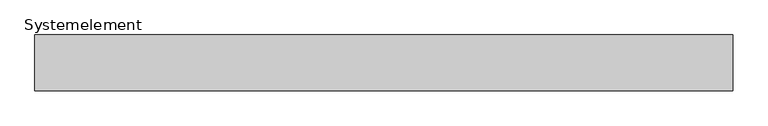
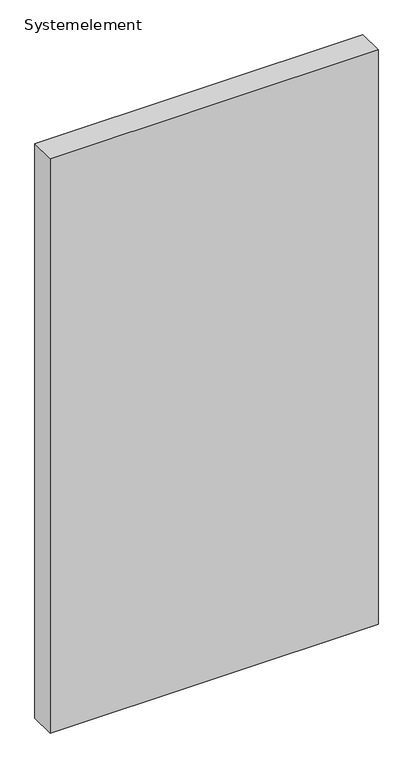
"""IFC4 building model written with IfcOpenShell, lengths in millimetres: plate geometry, Systemelement."""

import ifcopenshell
import ifcopenshell.guid

model = None  # the IFC model being written
_history = None  # IfcOwnerHistory: only IFC2X3 demands one
_inside = {}  # id of a spatial element -> (the spatial element, [elements in it])
_under = {}  # id of a project, library or spatial element -> (it, [spatial elements below it])
_declared = {}  # id of a project -> (the project, [libraries it declares])
_typed = {}  # id of a type object -> (the type object, [elements of that type])
_made_of = {}  # id of a material, layer set ... -> (it, [elements and type objects made of it])


def new_model(schema):
    """Start an empty IFC model of exactly this schema.

    Asked for "IFC4X3", IfcOpenShell would pick the latest addendum, in which some entities
    have other attributes; the version numbers below select the first issue.
    IFC2X3 requires an IfcOwnerHistory on every rooted entity: one is made here for all.
    """
    global model, _history
    if schema == "IFC4X3":
        model = ifcopenshell.file(schema_version=(4, 3, 0, 0))
    else:
        model = ifcopenshell.file(schema=schema)
    _inside.clear()
    _under.clear()
    _declared.clear()
    _typed.clear()
    _made_of.clear()
    _history = None
    if model.schema == "IFC2X3":
        org = make("IfcOrganization", Name="unknown")
        user = make(
            "IfcPersonAndOrganization",
            ThePerson=make("IfcPerson", FamilyName="unknown"),
            TheOrganization=org,
        )
        app = make(
            "IfcApplication",
            ApplicationDeveloper=org,
            Version="unknown",
            ApplicationFullName="unknown",
            ApplicationIdentifier="unknown",
        )
        _history = make(
            "IfcOwnerHistory",
            OwningUser=user,
            OwningApplication=app,
            ChangeAction="ADDED",
            CreationDate=0,
        )
    return model


def make(cls, **values):
    """One entity of the class cls with the attributes given. An attribute that is None is left unset."""
    return model.create_entity(
        cls, **{name: value for name, value in values.items() if value is not None}
    )


def rooted(cls, **values):
    """An entity with a GlobalId (a new one), such as an element, a storey or a relation."""
    return make(cls, GlobalId=ifcopenshell.guid.new(), OwnerHistory=_history, **values)


def si_unit(unit_type, name, prefix=None):
    """IfcSIUnit, for example si_unit("LENGTHUNIT", "METRE", prefix="MILLI")."""
    return make("IfcSIUnit", UnitType=unit_type, Prefix=prefix, Name=name)


def assignment(units):
    """IfcUnitAssignment: the units of a project."""
    return None if units is None else make("IfcUnitAssignment", Units=units)


def point(xyz):
    """IfcCartesianPoint."""
    return None if xyz is None else make("IfcCartesianPoint", Coordinates=xyz)


def direction(xyz):
    """IfcDirection."""
    return None if xyz is None else make("IfcDirection", DirectionRatios=xyz)


def frame(location, z_axis=None, x_axis=None):
    """IfcAxis2Placement3D, a coordinate frame: its origin and axes. An axis left out is left unset."""
    return make(
        "IfcAxis2Placement3D",
        Location=point(location),
        Axis=direction(z_axis),
        RefDirection=direction(x_axis),
    )


def origin():
    """The frame at (0, 0, 0) with its axes left unset."""
    return frame((0.0, 0.0, 0.0))


def origin_with_axes():
    """The frame at (0, 0, 0) with the z axis (0, 0, 1) and the x axis (1, 0, 0) written out."""
    return frame((0.0, 0.0, 0.0), z_axis=(0.0, 0.0, 1.0), x_axis=(1.0, 0.0, 0.0))


def place(relative_to, where):
    """IfcLocalPlacement: puts the frame where relative to a parent placement (None: the world)."""
    return make(
        "IfcLocalPlacement", PlacementRelTo=relative_to, RelativePlacement=where
    )


def context(
    kind, dimensions, precision=None, world=None, true_north=None, identifier=None
):
    """IfcGeometricRepresentationContext, for example the 3D "Model" context."""
    return make(
        "IfcGeometricRepresentationContext",
        ContextIdentifier=identifier,
        ContextType=kind,
        CoordinateSpaceDimension=dimensions,
        Precision=precision,
        WorldCoordinateSystem=world,
        TrueNorth=true_north,
    )


def project(units=None, contexts=None):
    """IfcProject with its units and contexts."""
    return rooted(
        "IfcProject",
        Name="project",
        RepresentationContexts=contexts,
        UnitsInContext=assignment(units),
    )


def spatial(cls, under=None, at=None, **own):
    """A site, building, storey or space (cls), placed at a placement, below another one or the project."""
    s = rooted(cls, ObjectPlacement=at, **own)
    if under is not None:
        _under.setdefault(under.id(), (under, []))[1].append(s)
    return s


def polyline(points):
    """IfcPolyline through the points."""
    return make("IfcPolyline", Points=[point(p) for p in points])


def outline(outer, holes=None, kind="AREA"):
    """IfcArbitraryClosedProfileDef: a profile drawn as a closed curve; with holes, ...WithVoids."""
    if holes is None:
        return make("IfcArbitraryClosedProfileDef", ProfileType=kind, OuterCurve=outer)
    return make(
        "IfcArbitraryProfileDefWithVoids",
        ProfileType=kind,
        OuterCurve=outer,
        InnerCurves=holes,
    )


def extrude(swept, where, along, depth):
    """IfcExtrudedAreaSolid: the profile swept, set in the frame where, extruded along a direction by depth."""
    return make(
        "IfcExtrudedAreaSolid",
        SweptArea=swept,
        Position=where,
        ExtrudedDirection=direction(along),
        Depth=depth,
    )


def shape(context_of_items, identifier, shape_type, items):
    """IfcShapeRepresentation: the items that make up one representation, for example the "Body"."""
    return make(
        "IfcShapeRepresentation",
        ContextOfItems=context_of_items,
        RepresentationIdentifier=identifier,
        RepresentationType=shape_type,
        Items=items,
    )


def source(mapping_origin, context_of_items, identifier, shape_type, items):
    """IfcRepresentationMap: a shape defined once, which mapped items show again and again."""
    return make(
        "IfcRepresentationMap",
        MappingOrigin=mapping_origin,
        MappedRepresentation=shape(context_of_items, identifier, shape_type, items),
    )


def transform(
    local_origin,
    x_axis=None,
    y_axis=None,
    z_axis=None,
    scale=None,
    scale2=None,
    scale3=None,
    uniform=True,
):
    """IfcCartesianTransformationOperator3D, or its non-uniform kind. x_axis, y_axis, z_axis: its Axis1, 2, 3."""
    if uniform:
        return make(
            "IfcCartesianTransformationOperator3D",
            Axis1=direction(x_axis),
            Axis2=direction(y_axis),
            LocalOrigin=point(local_origin),
            Scale=scale,
            Axis3=direction(z_axis),
        )
    return make(
        "IfcCartesianTransformationOperator3DnonUniform",
        Axis1=direction(x_axis),
        Axis2=direction(y_axis),
        LocalOrigin=point(local_origin),
        Scale=scale,
        Axis3=direction(z_axis),
        Scale2=scale2,
        Scale3=scale3,
    )


def mapped(mapping_source, mapping_target):
    """IfcMappedItem: shows the shape of a source again, moved by a transform."""
    return make(
        "IfcMappedItem", MappingSource=mapping_source, MappingTarget=mapping_target
    )


def made_of(thing, what):
    """Note that an element or type object is made of a material, layer set ...; save() writes the relation."""
    if what is not None:
        _made_of.setdefault(what.id(), (what, []))[1].append(thing)
    return thing


def element(
    cls,
    number,
    at=None,
    inside=None,
    cuts=None,
    type_object=None,
    material=None,
    context=None,
    identifier="Body",
    shape_type=None,
    held_by="IfcProductDefinitionShape",
    body=None,
    shapes=None,
    **own,
):
    """One element of the class cls, such as IfcWall. Its Tag is "e" and its number.

    at: its placement. inside: the storey or other place that contains it. cuts: it is an
    opening in that element (IfcRelVoidsElement). A single representation is given by context,
    identifier, shape_type and body (its items); several are given by shapes. held_by: the class
    of the entity that holds the representations. save() writes the other relations.
    """
    e = rooted(cls, Tag="e%d" % number, ObjectPlacement=at, **own)
    if body is not None:
        shapes = [shape(context, identifier, shape_type, body)]
    if shapes is not None:
        e.Representation = make(held_by, Representations=shapes)
    if inside is not None:
        _inside.setdefault(inside.id(), (inside, []))[1].append(e)
    if cuts is not None:
        rooted(
            "IfcRelVoidsElement", RelatingBuildingElement=cuts, RelatedOpeningElement=e
        )
    if type_object is not None:
        _typed.setdefault(type_object.id(), (type_object, []))[1].append(e)
    return made_of(e, material)


def aggregate(whole, parts):
    """IfcRelAggregates: a whole, such as a stair, and the parts it consists of."""
    return rooted("IfcRelAggregates", RelatingObject=whole, RelatedObjects=parts)


def save(model, path):
    """Write the relations noted so far, then the file.

    IfcRelAggregates (storeys below a building ...), IfcRelContainedInSpatialStructure (elements
    in a storey), IfcRelDefinesByType, IfcRelAssociatesMaterial and IfcRelDeclares: one each for
    every whole, place, type object, material and project.
    """
    for whole, parts in _under.values():
        aggregate(whole, parts)
    for where, things in _inside.values():
        rooted(
            "IfcRelContainedInSpatialStructure",
            RelatedElements=things,
            RelatingStructure=where,
        )
    for kind, things in _typed.values():
        rooted("IfcRelDefinesByType", RelatedObjects=things, RelatingType=kind)
    for what, things in _made_of.values():
        rooted("IfcRelAssociatesMaterial", RelatedObjects=things, RelatingMaterial=what)
    for by, libraries in _declared.values():
        rooted("IfcRelDeclares", RelatingContext=by, RelatedDefinitions=libraries)
    model.write(path)


def systemelement_d7a6ddcf(model_context):
    return source(origin(), model_context, "Body", "SweptSolid", [
        extrude(outline(polyline([(500.0, -80.0), (-500.0, -80.0), (-500.0, 0.0), (500.0, 0.0), (500.0, -80.0)])), origin_with_axes(), (0.0, 0.0, 1.0), 1851.6147161),
    ])


if __name__ == "__main__":
    model = new_model("IFC4")
    model_context = context("Model", 3, world=origin())
    ifc_project = project(units=[si_unit("LENGTHUNIT", "METRE", prefix="MILLI")], contexts=[model_context])
    site = spatial("IfcSite", under=ifc_project)
    building = spatial("IfcBuilding", under=site)
    placement = place(None, origin())
    systemelement_shape = systemelement_d7a6ddcf(model_context)
    element("IfcPlate", 1, ObjectType="Systemelement", at=placement, inside=building, context=model_context, shape_type="MappedRepresentation", body=[
        mapped(systemelement_shape, transform((0.0, 0.0, 0.0), x_axis=(1.0, 0.0, 0.0), y_axis=(0.0, 1.0, 0.0), z_axis=(0.0, 0.0, 1.0))),
    ])
    save(model, "model.ifc")
